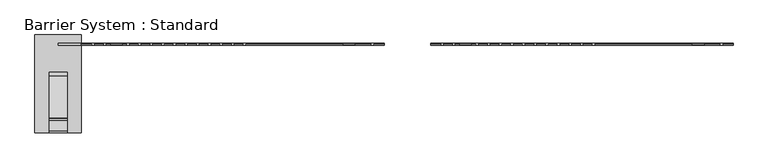
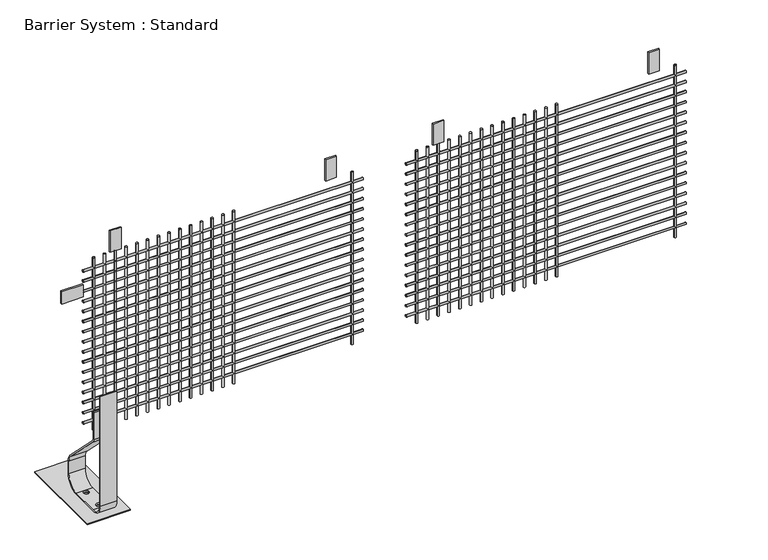
"""IFC4 building model written with IfcOpenShell, lengths in millimetres: proxy geometry, Barrier System : Standard."""

from ifc_helpers import new_model, si_unit, point, frame, frame_2d, origin, origin_with_axes, place, context, project, spatial, polyline, circle_curve, trimmed, segment, composite_curve, outline, extrude, source, transform, mapped, element, save
from ifc_brep_helpers import plane_surface, cylinder_surface, revolved_surface, advanced_brep


def barrier_system_standard_2cc259e9(model_context):
    return source(origin(), model_context, "Body", "SolidModel", [
        advanced_brep(
        [(38.0, -374.0, 606.0), (-38.0, -374.0, 606.0), (-38.0, -380.0, 606.0), (38.0, -380.0, 606.0), (38.0, -374.0, 69.0), (-38.0, -374.0, 69.0), (-38.0, -320.0, 15.0), (-38.0, -185.0, 15.0), (-38.0, -126.0, 74.0), (-38.0, -126.0, 135.2893219), (-38.0, -138.8873016, 166.4020203), (-38.0, -319.8492424, 347.363961), (-38.0, -326.0, 362.2132034), (-38.0, -326.0, 496.0), (-38.0, -320.0, 496.0), (-38.0, -320.0, 362.2132034), (-38.0, -315.6066017, 351.6066017), (-38.0, -134.6446609, 170.6446609), (-38.0, -120.0, 135.2893219), (-38.0, -120.0, 74.0), (-38.0, -185.0, 9.0), (-38.0, -320.0, 9.0), (-38.0, -380.0, 69.0), (38.0, -380.0, 69.0), (38.0, -320.0, 9.0), (38.0, -185.0, 9.0), (38.0, -120.0, 74.0), (38.0, -120.0, 135.2893219), (38.0, -134.6446609, 170.6446609), (38.0, -315.6066017, 351.6066017), (38.0, -320.0, 362.2132034), (38.0, -320.0, 496.0), (38.0, -326.0, 496.0), (38.0, -326.0, 362.2132034), (38.0, -319.8492424, 347.363961), (38.0, -138.8873016, 166.4020203), (38.0, -126.0, 135.2893219), (38.0, -126.0, 74.0), (38.0, -185.0, 15.0), (38.0, -320.0, 15.0), (12.0, -300.0, 15.0), (-12.0, -300.0, 15.0), (12.0, -200.0, 15.0), (-12.0, -200.0, 15.0), (-12.0, -300.0, 9.0), (12.0, -300.0, 9.0), (-12.0, -200.0, 9.0), (12.0, -200.0, 9.0)],
        [
            (0, 1),
            (1, 2),
            (2, 3),
            (3, 0),
            (0, 4),
            (4, 5),
            (5, 1),
            (5, 6, circle_curve(frame((-38.0, -320.0, 69.0), z_axis=(1.0, 0.0, 0.0), x_axis=(0.0, -1.0, 0.0)), 54.0)),
            (6, 7),
            (7, 8, circle_curve(frame((-38.0, -185.0, 74.0), z_axis=(1.0, 0.0, 0.0), x_axis=(0.0, 0.0, -1.0)), 59.0)),
            (8, 9),
            (9, 10, circle_curve(frame((-38.0, -170.0, 135.2893219), z_axis=(1.0, 0.0, 0.0), x_axis=(0.0, 1.0, 0.0)), 44.0)),
            (10, 11),
            (11, 12, circle_curve(frame((-38.0, -305.0, 362.2132034), z_axis=(-1.0, 0.0, 0.0), x_axis=(0.0, -0.7071067811865497, -0.7071067811865455)), 21.0)),
            (12, 13),
            (13, 14),
            (14, 15),
            (15, 16, circle_curve(frame((-38.0, -305.0, 362.2132034), z_axis=(1.0, 0.0, 0.0), x_axis=(0.0, -0.7071067811865497, -0.7071067811865455)), 15.0)),
            (16, 17),
            (17, 18, circle_curve(frame((-38.0, -170.0, 135.2893219), z_axis=(-1.0, 0.0, 0.0), x_axis=(0.0, 1.0, 0.0)), 50.0)),
            (18, 19),
            (19, 20, circle_curve(frame((-38.0, -185.0, 74.0), z_axis=(-1.0, 0.0, 0.0), x_axis=(0.0, 0.0, -1.0)), 65.0)),
            (20, 21),
            (21, 22, circle_curve(frame((-38.0, -320.0, 69.0), z_axis=(-1.0, 0.0, 0.0), x_axis=(0.0, -1.0, 0.0)), 60.0)),
            (22, 2),
            (22, 23),
            (23, 3),
            (23, 24, circle_curve(frame((38.0, -320.0, 69.0), z_axis=(1.0, 0.0, 0.0), x_axis=(0.0, -1.0, 0.0)), 60.0)),
            (24, 25),
            (25, 26, circle_curve(frame((38.0, -185.0, 74.0), z_axis=(1.0, 0.0, 0.0), x_axis=(0.0, 0.0, -1.0)), 65.0)),
            (26, 27),
            (27, 28, circle_curve(frame((38.0, -170.0, 135.2893219), z_axis=(1.0, 0.0, 0.0), x_axis=(0.0, 1.0, 0.0)), 50.0)),
            (28, 29),
            (29, 30, circle_curve(frame((38.0, -305.0, 362.2132034), z_axis=(-1.0, 0.0, 0.0), x_axis=(0.0, -0.7071067811865497, -0.7071067811865455)), 15.0)),
            (30, 31),
            (31, 32),
            (32, 33),
            (33, 34, circle_curve(frame((38.0, -305.0, 362.2132034), z_axis=(1.0, 0.0, 0.0), x_axis=(0.0, -0.7071067811865497, -0.7071067811865455)), 21.0)),
            (34, 35),
            (35, 36, circle_curve(frame((38.0, -170.0, 135.2893219), z_axis=(-1.0, 0.0, 0.0), x_axis=(0.0, 1.0, 0.0)), 44.0)),
            (36, 37),
            (37, 38, circle_curve(frame((38.0, -185.0, 74.0), z_axis=(-1.0, 0.0, 0.0), x_axis=(0.0, 0.0, -1.0)), 59.0)),
            (38, 39),
            (39, 4, circle_curve(frame((38.0, -320.0, 69.0), z_axis=(-1.0, 0.0, 0.0), x_axis=(0.0, -1.0, 0.0)), 54.0)),
            (39, 6),
            (21, 24),
            (38, 7),
            (40, 41, circle_curve(frame((0.0, -300.0, 15.0), z_axis=(0.0, 0.0, -1.0), x_axis=(1.0, 0.0, 0.0)), 12.0)),
            (41, 40, circle_curve(frame((0.0, -300.0, 15.0), z_axis=(0.0, 0.0, -1.0), x_axis=(1.0, 0.0, 0.0)), 12.0)),
            (42, 43, circle_curve(frame((0.0, -200.0, 15.0), z_axis=(0.0, 0.0, -1.0), x_axis=(1.0, 0.0, 0.0)), 12.0)),
            (43, 42, circle_curve(frame((0.0, -200.0, 15.0), z_axis=(0.0, 0.0, -1.0), x_axis=(1.0, 0.0, 0.0)), 12.0)),
            (20, 25),
            (44, 45, circle_curve(frame((0.0, -300.0, 9.0), z_axis=(0.0, 0.0, 1.0), x_axis=(1.0, 0.0, 0.0)), 12.0)),
            (45, 44, circle_curve(frame((0.0, -300.0, 9.0), z_axis=(0.0, 0.0, 1.0), x_axis=(1.0, 0.0, 0.0)), 12.0)),
            (46, 47, circle_curve(frame((0.0, -200.0, 9.0), z_axis=(0.0, 0.0, 1.0), x_axis=(1.0, 0.0, 0.0)), 12.0)),
            (47, 46, circle_curve(frame((0.0, -200.0, 9.0), z_axis=(0.0, 0.0, 1.0), x_axis=(1.0, 0.0, 0.0)), 12.0)),
            (37, 8),
            (19, 26),
            (36, 9),
            (18, 27),
            (35, 10),
            (17, 28),
            (34, 11),
            (16, 29),
            (33, 12),
            (15, 30),
            (13, 32),
            (31, 14),
            (40, 45),
            (44, 41),
            (42, 47),
            (46, 43),
        ],
        [
            plane_surface(frame((0.0, -380.0, 606.0), z_axis=(0.0, 0.0, 1.0), x_axis=(1.0, 0.0, 0.0))),
            plane_surface(frame((38.0, -374.0, 606.0), z_axis=(0.0, 1.0, 0.0), x_axis=(0.0, 0.0, -1.0))),
            plane_surface(frame((-38.0, -374.0, 606.0), z_axis=(-1.0, 0.0, 0.0), x_axis=(0.0, 0.0, -1.0))),
            plane_surface(frame((-38.0, -380.0, 606.0), z_axis=(0.0, -1.0, 0.0), x_axis=(0.0, 0.0, -1.0))),
            plane_surface(frame((38.0, -380.0, 606.0), z_axis=(1.0, 0.0, 0.0), x_axis=(0.0, 0.0, -1.0))),
            revolved_surface(polyline([(38.0, -374.0, 69.0), (-38.0, -374.0, 69.0)]), (0.0, -320.0, 69.0), (1.0, 0.0, 0.0)),
            cylinder_surface(frame((0.0, -320.0, 69.0), z_axis=(1.0, 0.0, 0.0), x_axis=(0.0, -1.0, 0.0)), 60.0),
            plane_surface(frame((38.0, -320.0, 15.0), z_axis=(0.0, 0.0, 1.0), x_axis=(0.0, 1.0, 0.0))),
            plane_surface(frame((-38.0, -320.0, 9.0), z_axis=(0.0, 0.0, -1.0), x_axis=(0.0, 1.0, 0.0))),
            revolved_surface(polyline([(38.0, -185.0, 15.0), (-38.0, -185.0, 15.0)]), (0.0, -185.0, 74.0), (1.0, 0.0, 0.0)),
            cylinder_surface(frame((0.0, -185.0, 74.0), z_axis=(1.0, 0.0, 0.0), x_axis=(0.0, 0.0, -1.0)), 65.0),
            plane_surface(frame((38.0, -126.0, 74.0), z_axis=(0.0, -1.0, 0.0), x_axis=(0.0, 0.0, 1.0))),
            plane_surface(frame((-38.0, -120.0, 74.0), z_axis=(0.0, 1.0, 0.0), x_axis=(0.0, 0.0, 1.0))),
            revolved_surface(polyline([(38.0, -126.0, 135.2893219), (-38.0, -126.0, 135.2893219)]), (0.0, -170.0, 135.2893219), (1.0, 0.0, 0.0)),
            cylinder_surface(frame((0.0, -170.0, 135.2893219), z_axis=(1.0, 0.0, 0.0), x_axis=(0.0, 1.0, 0.0)), 50.0),
            plane_surface(frame((38.0, -138.8873016, 166.4020203), z_axis=(0.0, -0.7071067811865492, -0.7071067811865459), x_axis=(0.0, -0.7071067811865459, 0.7071067811865492))),
            plane_surface(frame((-38.0, -134.6446609, 170.6446609), z_axis=(0.0, 0.707106781186549, 0.707106781186546), x_axis=(0.0, -0.707106781186546, 0.707106781186549))),
            cylinder_surface(frame((0.0, -305.0, 362.2132034), z_axis=(-1.0, 0.0, 0.0), x_axis=(0.0, -0.7071067811865497, -0.7071067811865455)), 21.0),
            revolved_surface(polyline([(-38.0, -315.60660171779824, 351.6066016822018), (38.0, -315.60660171779824, 351.6066016822018)]), (0.0, -305.0, 362.2132034), (-1.0, 0.0, 0.0)),
            plane_surface(frame((0.0, -320.0, 496.0), z_axis=(0.0, 0.0, 1.0), x_axis=(1.0, 0.0, 0.0))),
            plane_surface(frame((38.0, -326.0, 362.2132034), z_axis=(0.0, -1.0, 0.0), x_axis=(0.0, 0.0, 1.0))),
            plane_surface(frame((-38.0, -320.0, 362.2132034), z_axis=(0.0, 1.0, 0.0), x_axis=(0.0, 0.0, 1.0))),
            revolved_surface(polyline([(12.0, -300.0, 15.0), (12.0, -300.0, 9.0)]), (0.0, -300.0, 9.0), (0.0, 0.0, 1.0)),
            revolved_surface(polyline([(12.0, -200.0, 15.0), (12.0, -200.0, 9.0)]), (0.0, -200.0, 0.0), (0.0, 0.0, 1.0)),
        ],
        [
            (0, [[1, 2, 3, 4]]),
            (1, [[-1, 5, 6, 7]]),
            (2, [[-2, -7, 8, 9, 10, 11, 12, 13, 14, 15, 16, 17, 18, 19, 20, 21, 22, 23, 24, 25]]),
            (3, [[-3, -25, 26, 27]]),
            (4, [[-4, -27, 28, 29, 30, 31, 32, 33, 34, 35, 36, 37, 38, 39, 40, 41, 42, 43, 44, -5]]),
            (5, [[-6, -44, 45, -8]]),
            (6, [[-24, 46, -28, -26]]),
            (7, [[-9, -45, -43, 47], [48, 49], [50, 51]]),
            (8, [[-23, 52, -29, -46], [53, 54], [55, 56]]),
            (9, [[-10, -47, -42, 57]]),
            (10, [[-22, 58, -30, -52]]),
            (11, [[-11, -57, -41, 59]]),
            (12, [[-21, 60, -31, -58]]),
            (13, [[-12, -59, -40, 61]]),
            (14, [[-20, 62, -32, -60]]),
            (15, [[-13, -61, -39, 63]]),
            (16, [[-19, 64, -33, -62]]),
            (17, [[-14, -63, -38, 65]]),
            (18, [[-18, 66, -34, -64]]),
            (19, [[-16, 67, -36, 68]]),
            (20, [[-15, -65, -37, -67]]),
            (21, [[-17, -68, -35, -66]]),
            (22, [[69, -53, 70, -48]]),
            (22, [[-69, -49, -70, -54]]),
            (23, [[71, -55, 72, -50]]),
            (23, [[-71, -51, -72, -56]]),
        ],
    ),
        extrude(outline(polyline([(100.0, 40.0), (100.0, -380.0), (-100.0, -380.0), (-100.0, 40.0), (100.0, 40.0)]), holes=[composite_curve([segment(trimmed(circle_curve(frame_2d((0.0, -200.0)), 10.0), [point((-10.0, -200.0))], [point((10.0, -200.0))], True, "CARTESIAN"), True, "CONTINUOUS"), segment(trimmed(circle_curve(frame_2d((0.0, -200.0)), 10.0), [point((10.0, -200.0))], [point((-10.0, -200.0))], True, "CARTESIAN"), True, "CONTINUOUS")], self_intersect=False), composite_curve([segment(trimmed(circle_curve(frame_2d((0.0, -300.0)), 10.0), [point((-10.0, -300.0))], [point((10.0, -300.0))], True, "CARTESIAN"), True, "CONTINUOUS"), segment(trimmed(circle_curve(frame_2d((0.0, -300.0)), 10.0), [point((10.0, -300.0))], [point((-10.0, -300.0))], True, "CARTESIAN"), True, "CONTINUOUS")], self_intersect=False)]), origin_with_axes(), (0.0, 0.0, 1.0), 6.0),
        extrude(outline(polyline([(100.0, 4.0), (100.0, -4.0), (0.0, -4.0), (0.0, 4.0), (100.0, 4.0)])), frame((0.0, 0.0, 820.2941176), z_axis=(0.0, 0.0, 1.0), x_axis=(1.0, 0.0, 0.0)), (0.0, 0.0, 1.0), 60.0),
        extrude(outline(polyline([(2775.0, 3.0), (2775.0, -3.0), (2725.0, -3.0), (2725.0, 3.0), (2775.0, 3.0)])), frame((0.0, 0.0, 995.0), z_axis=(0.0, 0.0, 1.0), x_axis=(1.0, 0.0, 0.0)), (0.0, 0.0, 1.0), 105.0),
        extrude(outline(polyline([(1775.0, 3.0), (1775.0, -3.0), (1725.0, -3.0), (1725.0, 3.0), (1775.0, 3.0)])), frame((0.0, 0.0, 995.0), z_axis=(0.0, 0.0, 1.0), x_axis=(1.0, 0.0, 0.0)), (0.0, 0.0, 1.0), 105.0),
        extrude(outline(polyline([(1275.0, 3.0), (1275.0, -3.0), (1225.0, -3.0), (1225.0, 3.0), (1275.0, 3.0)])), frame((0.0, 0.0, 995.0), z_axis=(0.0, 0.0, 1.0), x_axis=(1.0, 0.0, 0.0)), (0.0, 0.0, 1.0), 105.0),
        extrude(outline(polyline([(275.0, 3.0), (275.0, -3.0), (225.0, -3.0), (225.0, 3.0), (275.0, 3.0)])), frame((0.0, 0.0, 995.0), z_axis=(0.0, 0.0, 1.0), x_axis=(1.0, 0.0, 0.0)), (0.0, 0.0, 1.0), 105.0),
        extrude(outline(composite_curve([segment(trimmed(circle_curve(frame_2d((0.0, 249.4117647)), 5.0), [point((0.0, 244.4117647))], [point((0.0, 254.4117647))], False, "CARTESIAN"), True, "CONTINUOUS"), segment(trimmed(circle_curve(frame_2d((0.0, 249.4117647)), 5.0), [point((0.0, 254.4117647))], [point((0.0, 244.4117647))], False, "CARTESIAN"), True, "CONTINUOUS")], self_intersect=False)), frame((1600.0, 0.0, 0.0), z_axis=(1.0, 0.0, 0.0), x_axis=(0.0, 1.0, 0.0)), (0.0, 0.0, 1.0), 1300.0),
        extrude(outline(composite_curve([segment(trimmed(circle_curve(frame_2d((0.0, 299.1176471)), 5.0), [point((0.0, 294.1176471))], [point((0.0, 304.1176471))], False, "CARTESIAN"), True, "CONTINUOUS"), segment(trimmed(circle_curve(frame_2d((0.0, 299.1176471)), 5.0), [point((0.0, 304.1176471))], [point((0.0, 294.1176471))], False, "CARTESIAN"), True, "CONTINUOUS")], self_intersect=False)), frame((1600.0, 0.0, 0.0), z_axis=(1.0, 0.0, 0.0), x_axis=(0.0, 1.0, 0.0)), (0.0, 0.0, 1.0), 1300.0),
        extrude(outline(composite_curve([segment(trimmed(circle_curve(frame_2d((0.0, 348.8235294)), 5.0), [point((0.0, 343.8235294))], [point((0.0, 353.8235294))], False, "CARTESIAN"), True, "CONTINUOUS"), segment(trimmed(circle_curve(frame_2d((0.0, 348.8235294)), 5.0), [point((0.0, 353.8235294))], [point((0.0, 343.8235294))], False, "CARTESIAN"), True, "CONTINUOUS")], self_intersect=False)), frame((1600.0, 0.0, 0.0), z_axis=(1.0, 0.0, 0.0), x_axis=(0.0, 1.0, 0.0)), (0.0, 0.0, 1.0), 1300.0),
        extrude(outline(composite_curve([segment(trimmed(circle_curve(frame_2d((0.0, 398.5294118)), 5.0), [point((0.0, 393.5294118))], [point((0.0, 403.5294118))], False, "CARTESIAN"), True, "CONTINUOUS"), segment(trimmed(circle_curve(frame_2d((0.0, 398.5294118)), 5.0), [point((0.0, 403.5294118))], [point((0.0, 393.5294118))], False, "CARTESIAN"), True, "CONTINUOUS")], self_intersect=False)), frame((1600.0, 0.0, 0.0), z_axis=(1.0, 0.0, 0.0), x_axis=(0.0, 1.0, 0.0)), (0.0, 0.0, 1.0), 1300.0),
        extrude(outline(composite_curve([segment(trimmed(circle_curve(frame_2d((0.0, 448.2352941)), 5.0), [point((0.0, 443.2352941))], [point((0.0, 453.2352941))], False, "CARTESIAN"), True, "CONTINUOUS"), segment(trimmed(circle_curve(frame_2d((0.0, 448.2352941)), 5.0), [point((0.0, 453.2352941))], [point((0.0, 443.2352941))], False, "CARTESIAN"), True, "CONTINUOUS")], self_intersect=False)), frame((1600.0, 0.0, 0.0), z_axis=(1.0, 0.0, 0.0), x_axis=(0.0, 1.0, 0.0)), (0.0, 0.0, 1.0), 1300.0),
        extrude(outline(composite_curve([segment(trimmed(circle_curve(frame_2d((0.0, 497.9411765)), 5.0), [point((0.0, 492.9411765))], [point((0.0, 502.9411765))], False, "CARTESIAN"), True, "CONTINUOUS"), segment(trimmed(circle_curve(frame_2d((0.0, 497.9411765)), 5.0), [point((0.0, 502.9411765))], [point((0.0, 492.9411765))], False, "CARTESIAN"), True, "CONTINUOUS")], self_intersect=False)), frame((1600.0, 0.0, 0.0), z_axis=(1.0, 0.0, 0.0), x_axis=(0.0, 1.0, 0.0)), (0.0, 0.0, 1.0), 1300.0),
        extrude(outline(composite_curve([segment(trimmed(circle_curve(frame_2d((0.0, 547.6470588)), 5.0), [point((0.0, 542.6470588))], [point((0.0, 552.6470588))], False, "CARTESIAN"), True, "CONTINUOUS"), segment(trimmed(circle_curve(frame_2d((0.0, 547.6470588)), 5.0), [point((0.0, 552.6470588))], [point((0.0, 542.6470588))], False, "CARTESIAN"), True, "CONTINUOUS")], self_intersect=False)), frame((1600.0, 0.0, 0.0), z_axis=(1.0, 0.0, 0.0), x_axis=(0.0, 1.0, 0.0)), (0.0, 0.0, 1.0), 1300.0),
        extrude(outline(composite_curve([segment(trimmed(circle_curve(frame_2d((0.0, 597.3529412)), 5.0), [point((0.0, 592.3529412))], [point((0.0, 602.3529412))], False, "CARTESIAN"), True, "CONTINUOUS"), segment(trimmed(circle_curve(frame_2d((0.0, 597.3529412)), 5.0), [point((0.0, 602.3529412))], [point((0.0, 592.3529412))], False, "CARTESIAN"), True, "CONTINUOUS")], self_intersect=False)), frame((1600.0, 0.0, 0.0), z_axis=(1.0, 0.0, 0.0), x_axis=(0.0, 1.0, 0.0)), (0.0, 0.0, 1.0), 1300.0),
        extrude(outline(composite_curve([segment(trimmed(circle_curve(frame_2d((0.0, 647.0588235)), 5.0), [point((0.0, 642.0588235))], [point((0.0, 652.0588235))], False, "CARTESIAN"), True, "CONTINUOUS"), segment(trimmed(circle_curve(frame_2d((0.0, 647.0588235)), 5.0), [point((0.0, 652.0588235))], [point((0.0, 642.0588235))], False, "CARTESIAN"), True, "CONTINUOUS")], self_intersect=False)), frame((1600.0, 0.0, 0.0), z_axis=(1.0, 0.0, 0.0), x_axis=(0.0, 1.0, 0.0)), (0.0, 0.0, 1.0), 1300.0),
        extrude(outline(composite_curve([segment(trimmed(circle_curve(frame_2d((0.0, 696.7647059)), 5.0), [point((0.0, 691.7647059))], [point((0.0, 701.7647059))], False, "CARTESIAN"), True, "CONTINUOUS"), segment(trimmed(circle_curve(frame_2d((0.0, 696.7647059)), 5.0), [point((0.0, 701.7647059))], [point((0.0, 691.7647059))], False, "CARTESIAN"), True, "CONTINUOUS")], self_intersect=False)), frame((1600.0, 0.0, 0.0), z_axis=(1.0, 0.0, 0.0), x_axis=(0.0, 1.0, 0.0)), (0.0, 0.0, 1.0), 1300.0),
        extrude(outline(composite_curve([segment(trimmed(circle_curve(frame_2d((0.0, 746.4705882)), 5.0), [point((0.0, 741.4705882))], [point((0.0, 751.4705882))], False, "CARTESIAN"), True, "CONTINUOUS"), segment(trimmed(circle_curve(frame_2d((0.0, 746.4705882)), 5.0), [point((0.0, 751.4705882))], [point((0.0, 741.4705882))], False, "CARTESIAN"), True, "CONTINUOUS")], self_intersect=False)), frame((1600.0, 0.0, 0.0), z_axis=(1.0, 0.0, 0.0), x_axis=(0.0, 1.0, 0.0)), (0.0, 0.0, 1.0), 1300.0),
        extrude(outline(composite_curve([segment(trimmed(circle_curve(frame_2d((0.0, 796.1764706)), 5.0), [point((0.0, 791.1764706))], [point((0.0, 801.1764706))], False, "CARTESIAN"), True, "CONTINUOUS"), segment(trimmed(circle_curve(frame_2d((0.0, 796.1764706)), 5.0), [point((0.0, 801.1764706))], [point((0.0, 791.1764706))], False, "CARTESIAN"), True, "CONTINUOUS")], self_intersect=False)), frame((1600.0, 0.0, 0.0), z_axis=(1.0, 0.0, 0.0), x_axis=(0.0, 1.0, 0.0)), (0.0, 0.0, 1.0), 1300.0),
        extrude(outline(composite_curve([segment(trimmed(circle_curve(frame_2d((0.0, 845.8823529)), 5.0), [point((0.0, 840.8823529))], [point((0.0, 850.8823529))], False, "CARTESIAN"), True, "CONTINUOUS"), segment(trimmed(circle_curve(frame_2d((0.0, 845.8823529)), 5.0), [point((0.0, 850.8823529))], [point((0.0, 840.8823529))], False, "CARTESIAN"), True, "CONTINUOUS")], self_intersect=False)), frame((1600.0, 0.0, 0.0), z_axis=(1.0, 0.0, 0.0), x_axis=(0.0, 1.0, 0.0)), (0.0, 0.0, 1.0), 1300.0),
        extrude(outline(composite_curve([segment(trimmed(circle_curve(frame_2d((0.0, 895.5882353)), 5.0), [point((0.0, 890.5882353))], [point((0.0, 900.5882353))], False, "CARTESIAN"), True, "CONTINUOUS"), segment(trimmed(circle_curve(frame_2d((0.0, 895.5882353)), 5.0), [point((0.0, 900.5882353))], [point((0.0, 890.5882353))], False, "CARTESIAN"), True, "CONTINUOUS")], self_intersect=False)), frame((1600.0, 0.0, 0.0), z_axis=(1.0, 0.0, 0.0), x_axis=(0.0, 1.0, 0.0)), (0.0, 0.0, 1.0), 1300.0),
        extrude(outline(composite_curve([segment(trimmed(circle_curve(frame_2d((0.0, 199.7058824)), 5.0), [point((0.0, 194.7058824))], [point((0.0, 204.7058824))], False, "CARTESIAN"), True, "CONTINUOUS"), segment(trimmed(circle_curve(frame_2d((0.0, 199.7058824)), 5.0), [point((0.0, 204.7058824))], [point((0.0, 194.7058824))], False, "CARTESIAN"), True, "CONTINUOUS")], self_intersect=False)), frame((1600.0, 0.0, 0.0), z_axis=(1.0, 0.0, 0.0), x_axis=(0.0, 1.0, 0.0)), (0.0, 0.0, 1.0), 1300.0),
        extrude(outline(composite_curve([segment(trimmed(circle_curve(frame_2d((0.0, 945.2941176)), 5.0), [point((0.0, 940.2941176))], [point((0.0, 950.2941176))], False, "CARTESIAN"), True, "CONTINUOUS"), segment(trimmed(circle_curve(frame_2d((0.0, 945.2941176)), 5.0), [point((0.0, 950.2941176))], [point((0.0, 940.2941176))], False, "CARTESIAN"), True, "CONTINUOUS")], self_intersect=False)), frame((1600.0, 0.0, 0.0), z_axis=(1.0, 0.0, 0.0), x_axis=(0.0, 1.0, 0.0)), (0.0, 0.0, 1.0), 1300.0),
        extrude(outline(composite_curve([segment(trimmed(circle_curve(frame_2d((0.0, 249.4117647)), 5.0), [point((0.0, 244.4117647))], [point((0.0, 254.4117647))], False, "CARTESIAN"), True, "CONTINUOUS"), segment(trimmed(circle_curve(frame_2d((0.0, 249.4117647)), 5.0), [point((0.0, 254.4117647))], [point((0.0, 244.4117647))], False, "CARTESIAN"), True, "CONTINUOUS")], self_intersect=False)), frame((100.0, 0.0, 0.0), z_axis=(1.0, 0.0, 0.0), x_axis=(0.0, 1.0, 0.0)), (0.0, 0.0, 1.0), 1300.0),
        extrude(outline(composite_curve([segment(trimmed(circle_curve(frame_2d((0.0, 299.1176471)), 5.0), [point((0.0, 294.1176471))], [point((0.0, 304.1176471))], False, "CARTESIAN"), True, "CONTINUOUS"), segment(trimmed(circle_curve(frame_2d((0.0, 299.1176471)), 5.0), [point((0.0, 304.1176471))], [point((0.0, 294.1176471))], False, "CARTESIAN"), True, "CONTINUOUS")], self_intersect=False)), frame((100.0, 0.0, 0.0), z_axis=(1.0, 0.0, 0.0), x_axis=(0.0, 1.0, 0.0)), (0.0, 0.0, 1.0), 1300.0),
        extrude(outline(composite_curve([segment(trimmed(circle_curve(frame_2d((0.0, 348.8235294)), 5.0), [point((0.0, 343.8235294))], [point((0.0, 353.8235294))], False, "CARTESIAN"), True, "CONTINUOUS"), segment(trimmed(circle_curve(frame_2d((0.0, 348.8235294)), 5.0), [point((0.0, 353.8235294))], [point((0.0, 343.8235294))], False, "CARTESIAN"), True, "CONTINUOUS")], self_intersect=False)), frame((100.0, 0.0, 0.0), z_axis=(1.0, 0.0, 0.0), x_axis=(0.0, 1.0, 0.0)), (0.0, 0.0, 1.0), 1300.0),
        extrude(outline(composite_curve([segment(trimmed(circle_curve(frame_2d((0.0, 398.5294118)), 5.0), [point((0.0, 393.5294118))], [point((0.0, 403.5294118))], False, "CARTESIAN"), True, "CONTINUOUS"), segment(trimmed(circle_curve(frame_2d((0.0, 398.5294118)), 5.0), [point((0.0, 403.5294118))], [point((0.0, 393.5294118))], False, "CARTESIAN"), True, "CONTINUOUS")], self_intersect=False)), frame((100.0, 0.0, 0.0), z_axis=(1.0, 0.0, 0.0), x_axis=(0.0, 1.0, 0.0)), (0.0, 0.0, 1.0), 1300.0),
        extrude(outline(composite_curve([segment(trimmed(circle_curve(frame_2d((0.0, 448.2352941)), 5.0), [point((0.0, 443.2352941))], [point((0.0, 453.2352941))], False, "CARTESIAN"), True, "CONTINUOUS"), segment(trimmed(circle_curve(frame_2d((0.0, 448.2352941)), 5.0), [point((0.0, 453.2352941))], [point((0.0, 443.2352941))], False, "CARTESIAN"), True, "CONTINUOUS")], self_intersect=False)), frame((100.0, 0.0, 0.0), z_axis=(1.0, 0.0, 0.0), x_axis=(0.0, 1.0, 0.0)), (0.0, 0.0, 1.0), 1300.0),
        extrude(outline(composite_curve([segment(trimmed(circle_curve(frame_2d((0.0, 497.9411765)), 5.0), [point((0.0, 492.9411765))], [point((0.0, 502.9411765))], False, "CARTESIAN"), True, "CONTINUOUS"), segment(trimmed(circle_curve(frame_2d((0.0, 497.9411765)), 5.0), [point((0.0, 502.9411765))], [point((0.0, 492.9411765))], False, "CARTESIAN"), True, "CONTINUOUS")], self_intersect=False)), frame((100.0, 0.0, 0.0), z_axis=(1.0, 0.0, 0.0), x_axis=(0.0, 1.0, 0.0)), (0.0, 0.0, 1.0), 1300.0),
        extrude(outline(composite_curve([segment(trimmed(circle_curve(frame_2d((0.0, 547.6470588)), 5.0), [point((0.0, 542.6470588))], [point((0.0, 552.6470588))], False, "CARTESIAN"), True, "CONTINUOUS"), segment(trimmed(circle_curve(frame_2d((0.0, 547.6470588)), 5.0), [point((0.0, 552.6470588))], [point((0.0, 542.6470588))], False, "CARTESIAN"), True, "CONTINUOUS")], self_intersect=False)), frame((100.0, 0.0, 0.0), z_axis=(1.0, 0.0, 0.0), x_axis=(0.0, 1.0, 0.0)), (0.0, 0.0, 1.0), 1300.0),
        extrude(outline(composite_curve([segment(trimmed(circle_curve(frame_2d((0.0, 597.3529412)), 5.0), [point((0.0, 592.3529412))], [point((0.0, 602.3529412))], False, "CARTESIAN"), True, "CONTINUOUS"), segment(trimmed(circle_curve(frame_2d((0.0, 597.3529412)), 5.0), [point((0.0, 602.3529412))], [point((0.0, 592.3529412))], False, "CARTESIAN"), True, "CONTINUOUS")], self_intersect=False)), frame((100.0, 0.0, 0.0), z_axis=(1.0, 0.0, 0.0), x_axis=(0.0, 1.0, 0.0)), (0.0, 0.0, 1.0), 1300.0),
        extrude(outline(composite_curve([segment(trimmed(circle_curve(frame_2d((0.0, 647.0588235)), 5.0), [point((0.0, 642.0588235))], [point((0.0, 652.0588235))], False, "CARTESIAN"), True, "CONTINUOUS"), segment(trimmed(circle_curve(frame_2d((0.0, 647.0588235)), 5.0), [point((0.0, 652.0588235))], [point((0.0, 642.0588235))], False, "CARTESIAN"), True, "CONTINUOUS")], self_intersect=False)), frame((100.0, 0.0, 0.0), z_axis=(1.0, 0.0, 0.0), x_axis=(0.0, 1.0, 0.0)), (0.0, 0.0, 1.0), 1300.0),
        extrude(outline(composite_curve([segment(trimmed(circle_curve(frame_2d((0.0, 696.7647059)), 5.0), [point((0.0, 691.7647059))], [point((0.0, 701.7647059))], False, "CARTESIAN"), True, "CONTINUOUS"), segment(trimmed(circle_curve(frame_2d((0.0, 696.7647059)), 5.0), [point((0.0, 701.7647059))], [point((0.0, 691.7647059))], False, "CARTESIAN"), True, "CONTINUOUS")], self_intersect=False)), frame((100.0, 0.0, 0.0), z_axis=(1.0, 0.0, 0.0), x_axis=(0.0, 1.0, 0.0)), (0.0, 0.0, 1.0), 1300.0),
        extrude(outline(composite_curve([segment(trimmed(circle_curve(frame_2d((0.0, 746.4705882)), 5.0), [point((0.0, 741.4705882))], [point((0.0, 751.4705882))], False, "CARTESIAN"), True, "CONTINUOUS"), segment(trimmed(circle_curve(frame_2d((0.0, 746.4705882)), 5.0), [point((0.0, 751.4705882))], [point((0.0, 741.4705882))], False, "CARTESIAN"), True, "CONTINUOUS")], self_intersect=False)), frame((100.0, 0.0, 0.0), z_axis=(1.0, 0.0, 0.0), x_axis=(0.0, 1.0, 0.0)), (0.0, 0.0, 1.0), 1300.0),
        extrude(outline(composite_curve([segment(trimmed(circle_curve(frame_2d((0.0, 796.1764706)), 5.0), [point((0.0, 791.1764706))], [point((0.0, 801.1764706))], False, "CARTESIAN"), True, "CONTINUOUS"), segment(trimmed(circle_curve(frame_2d((0.0, 796.1764706)), 5.0), [point((0.0, 801.1764706))], [point((0.0, 791.1764706))], False, "CARTESIAN"), True, "CONTINUOUS")], self_intersect=False)), frame((100.0, 0.0, 0.0), z_axis=(1.0, 0.0, 0.0), x_axis=(0.0, 1.0, 0.0)), (0.0, 0.0, 1.0), 1300.0),
        extrude(outline(composite_curve([segment(trimmed(circle_curve(frame_2d((0.0, 845.8823529)), 5.0), [point((0.0, 840.8823529))], [point((0.0, 850.8823529))], False, "CARTESIAN"), True, "CONTINUOUS"), segment(trimmed(circle_curve(frame_2d((0.0, 845.8823529)), 5.0), [point((0.0, 850.8823529))], [point((0.0, 840.8823529))], False, "CARTESIAN"), True, "CONTINUOUS")], self_intersect=False)), frame((100.0, 0.0, 0.0), z_axis=(1.0, 0.0, 0.0), x_axis=(0.0, 1.0, 0.0)), (0.0, 0.0, 1.0), 1300.0),
        extrude(outline(composite_curve([segment(trimmed(circle_curve(frame_2d((0.0, 895.5882353)), 5.0), [point((0.0, 890.5882353))], [point((0.0, 900.5882353))], False, "CARTESIAN"), True, "CONTINUOUS"), segment(trimmed(circle_curve(frame_2d((0.0, 895.5882353)), 5.0), [point((0.0, 900.5882353))], [point((0.0, 890.5882353))], False, "CARTESIAN"), True, "CONTINUOUS")], self_intersect=False)), frame((100.0, 0.0, 0.0), z_axis=(1.0, 0.0, 0.0), x_axis=(0.0, 1.0, 0.0)), (0.0, 0.0, 1.0), 1300.0),
        extrude(outline(composite_curve([segment(trimmed(circle_curve(frame_2d((0.0, 199.7058824)), 5.0), [point((0.0, 194.7058824))], [point((0.0, 204.7058824))], False, "CARTESIAN"), True, "CONTINUOUS"), segment(trimmed(circle_curve(frame_2d((0.0, 199.7058824)), 5.0), [point((0.0, 204.7058824))], [point((0.0, 194.7058824))], False, "CARTESIAN"), True, "CONTINUOUS")], self_intersect=False)), frame((100.0, 0.0, 0.0), z_axis=(1.0, 0.0, 0.0), x_axis=(0.0, 1.0, 0.0)), (0.0, 0.0, 1.0), 1300.0),
        extrude(outline(composite_curve([segment(trimmed(circle_curve(frame_2d((0.0, 945.2941176)), 5.0), [point((0.0, 940.2941176))], [point((0.0, 950.2941176))], False, "CARTESIAN"), True, "CONTINUOUS"), segment(trimmed(circle_curve(frame_2d((0.0, 945.2941176)), 5.0), [point((0.0, 950.2941176))], [point((0.0, 940.2941176))], False, "CARTESIAN"), True, "CONTINUOUS")], self_intersect=False)), frame((100.0, 0.0, 0.0), z_axis=(1.0, 0.0, 0.0), x_axis=(0.0, 1.0, 0.0)), (0.0, 0.0, 1.0), 1300.0),
        extrude(outline(composite_curve([segment(trimmed(circle_curve(frame_2d((2300.0, 0.0)), 5.0), [point((2305.0, 0.0))], [point((2295.0, 0.0))], False, "CARTESIAN"), True, "CONTINUOUS"), segment(trimmed(circle_curve(frame_2d((2300.0, 0.0)), 5.0), [point((2295.0, 0.0))], [point((2305.0, 0.0))], False, "CARTESIAN"), True, "CONTINUOUS")], self_intersect=False)), frame((0.0, 0.0, 150.0), z_axis=(0.0, 0.0, 1.0), x_axis=(1.0, 0.0, 0.0)), (0.0, 0.0, 1.0), 845.0),
        extrude(outline(composite_curve([segment(trimmed(circle_curve(frame_2d((2250.0, 0.0)), 5.0), [point((2255.0, 0.0))], [point((2245.0, 0.0))], False, "CARTESIAN"), True, "CONTINUOUS"), segment(trimmed(circle_curve(frame_2d((2250.0, 0.0)), 5.0), [point((2245.0, 0.0))], [point((2255.0, 0.0))], False, "CARTESIAN"), True, "CONTINUOUS")], self_intersect=False)), frame((0.0, 0.0, 150.0), z_axis=(0.0, 0.0, 1.0), x_axis=(1.0, 0.0, 0.0)), (0.0, 0.0, 1.0), 845.0),
        extrude(outline(composite_curve([segment(trimmed(circle_curve(frame_2d((2200.0, 0.0)), 5.0), [point((2205.0, 0.0))], [point((2195.0, 0.0))], False, "CARTESIAN"), True, "CONTINUOUS"), segment(trimmed(circle_curve(frame_2d((2200.0, 0.0)), 5.0), [point((2195.0, 0.0))], [point((2205.0, 0.0))], False, "CARTESIAN"), True, "CONTINUOUS")], self_intersect=False)), frame((0.0, 0.0, 150.0), z_axis=(0.0, 0.0, 1.0), x_axis=(1.0, 0.0, 0.0)), (0.0, 0.0, 1.0), 845.0),
        extrude(outline(composite_curve([segment(trimmed(circle_curve(frame_2d((2150.0, 0.0)), 5.0), [point((2155.0, 0.0))], [point((2145.0, 0.0))], False, "CARTESIAN"), True, "CONTINUOUS"), segment(trimmed(circle_curve(frame_2d((2150.0, 0.0)), 5.0), [point((2145.0, 0.0))], [point((2155.0, 0.0))], False, "CARTESIAN"), True, "CONTINUOUS")], self_intersect=False)), frame((0.0, 0.0, 150.0), z_axis=(0.0, 0.0, 1.0), x_axis=(1.0, 0.0, 0.0)), (0.0, 0.0, 1.0), 845.0),
        extrude(outline(composite_curve([segment(trimmed(circle_curve(frame_2d((2100.0, 0.0)), 5.0), [point((2105.0, 0.0))], [point((2095.0, 0.0))], False, "CARTESIAN"), True, "CONTINUOUS"), segment(trimmed(circle_curve(frame_2d((2100.0, 0.0)), 5.0), [point((2095.0, 0.0))], [point((2105.0, 0.0))], False, "CARTESIAN"), True, "CONTINUOUS")], self_intersect=False)), frame((0.0, 0.0, 150.0), z_axis=(0.0, 0.0, 1.0), x_axis=(1.0, 0.0, 0.0)), (0.0, 0.0, 1.0), 845.0),
        extrude(outline(composite_curve([segment(trimmed(circle_curve(frame_2d((2050.0, 0.0)), 5.0), [point((2055.0, 0.0))], [point((2045.0, 0.0))], False, "CARTESIAN"), True, "CONTINUOUS"), segment(trimmed(circle_curve(frame_2d((2050.0, 0.0)), 5.0), [point((2045.0, 0.0))], [point((2055.0, 0.0))], False, "CARTESIAN"), True, "CONTINUOUS")], self_intersect=False)), frame((0.0, 0.0, 150.0), z_axis=(0.0, 0.0, 1.0), x_axis=(1.0, 0.0, 0.0)), (0.0, 0.0, 1.0), 845.0),
        extrude(outline(composite_curve([segment(trimmed(circle_curve(frame_2d((2000.0, 0.0)), 5.0), [point((2005.0, 0.0))], [point((1995.0, 0.0))], False, "CARTESIAN"), True, "CONTINUOUS"), segment(trimmed(circle_curve(frame_2d((2000.0, 0.0)), 5.0), [point((1995.0, 0.0))], [point((2005.0, 0.0))], False, "CARTESIAN"), True, "CONTINUOUS")], self_intersect=False)), frame((0.0, 0.0, 150.0), z_axis=(0.0, 0.0, 1.0), x_axis=(1.0, 0.0, 0.0)), (0.0, 0.0, 1.0), 845.0),
        extrude(outline(composite_curve([segment(trimmed(circle_curve(frame_2d((1950.0, 0.0)), 5.0), [point((1955.0, 0.0))], [point((1945.0, 0.0))], False, "CARTESIAN"), True, "CONTINUOUS"), segment(trimmed(circle_curve(frame_2d((1950.0, 0.0)), 5.0), [point((1945.0, 0.0))], [point((1955.0, 0.0))], False, "CARTESIAN"), True, "CONTINUOUS")], self_intersect=False)), frame((0.0, 0.0, 150.0), z_axis=(0.0, 0.0, 1.0), x_axis=(1.0, 0.0, 0.0)), (0.0, 0.0, 1.0), 845.0),
        extrude(outline(composite_curve([segment(trimmed(circle_curve(frame_2d((1900.0, 0.0)), 5.0), [point((1905.0, 0.0))], [point((1895.0, 0.0))], False, "CARTESIAN"), True, "CONTINUOUS"), segment(trimmed(circle_curve(frame_2d((1900.0, 0.0)), 5.0), [point((1895.0, 0.0))], [point((1905.0, 0.0))], False, "CARTESIAN"), True, "CONTINUOUS")], self_intersect=False)), frame((0.0, 0.0, 150.0), z_axis=(0.0, 0.0, 1.0), x_axis=(1.0, 0.0, 0.0)), (0.0, 0.0, 1.0), 845.0),
        extrude(outline(composite_curve([segment(trimmed(circle_curve(frame_2d((1850.0, 0.0)), 5.0), [point((1855.0, 0.0))], [point((1845.0, 0.0))], False, "CARTESIAN"), True, "CONTINUOUS"), segment(trimmed(circle_curve(frame_2d((1850.0, 0.0)), 5.0), [point((1845.0, 0.0))], [point((1855.0, 0.0))], False, "CARTESIAN"), True, "CONTINUOUS")], self_intersect=False)), frame((0.0, 0.0, 150.0), z_axis=(0.0, 0.0, 1.0), x_axis=(1.0, 0.0, 0.0)), (0.0, 0.0, 1.0), 845.0),
        extrude(outline(composite_curve([segment(trimmed(circle_curve(frame_2d((1800.0, 0.0)), 5.0), [point((1805.0, 0.0))], [point((1795.0, 0.0))], False, "CARTESIAN"), True, "CONTINUOUS"), segment(trimmed(circle_curve(frame_2d((1800.0, 0.0)), 5.0), [point((1795.0, 0.0))], [point((1805.0, 0.0))], False, "CARTESIAN"), True, "CONTINUOUS")], self_intersect=False)), frame((0.0, 0.0, 150.0), z_axis=(0.0, 0.0, 1.0), x_axis=(1.0, 0.0, 0.0)), (0.0, 0.0, 1.0), 845.0),
        extrude(outline(composite_curve([segment(trimmed(circle_curve(frame_2d((1750.0, 0.0)), 5.0), [point((1755.0, 0.0))], [point((1745.0, 0.0))], False, "CARTESIAN"), True, "CONTINUOUS"), segment(trimmed(circle_curve(frame_2d((1750.0, 0.0)), 5.0), [point((1745.0, 0.0))], [point((1755.0, 0.0))], False, "CARTESIAN"), True, "CONTINUOUS")], self_intersect=False)), frame((0.0, 0.0, 150.0), z_axis=(0.0, 0.0, 1.0), x_axis=(1.0, 0.0, 0.0)), (0.0, 0.0, 1.0), 845.0),
        extrude(outline(composite_curve([segment(trimmed(circle_curve(frame_2d((1700.0, 0.0)), 5.0), [point((1705.0, 0.0))], [point((1695.0, 0.0))], False, "CARTESIAN"), True, "CONTINUOUS"), segment(trimmed(circle_curve(frame_2d((1700.0, 0.0)), 5.0), [point((1695.0, 0.0))], [point((1705.0, 0.0))], False, "CARTESIAN"), True, "CONTINUOUS")], self_intersect=False)), frame((0.0, 0.0, 150.0), z_axis=(0.0, 0.0, 1.0), x_axis=(1.0, 0.0, 0.0)), (0.0, 0.0, 1.0), 845.0),
        extrude(outline(composite_curve([segment(trimmed(circle_curve(frame_2d((2850.0, 0.0)), 5.0), [point((2855.0, 0.0))], [point((2845.0, 0.0))], False, "CARTESIAN"), True, "CONTINUOUS"), segment(trimmed(circle_curve(frame_2d((2850.0, 0.0)), 5.0), [point((2845.0, 0.0))], [point((2855.0, 0.0))], False, "CARTESIAN"), True, "CONTINUOUS")], self_intersect=False)), frame((0.0, 0.0, 150.0), z_axis=(0.0, 0.0, 1.0), x_axis=(1.0, 0.0, 0.0)), (0.0, 0.0, 1.0), 845.0),
        extrude(outline(composite_curve([segment(trimmed(circle_curve(frame_2d((1650.0, 0.0)), 5.0), [point((1655.0, 0.0))], [point((1645.0, 0.0))], False, "CARTESIAN"), True, "CONTINUOUS"), segment(trimmed(circle_curve(frame_2d((1650.0, 0.0)), 5.0), [point((1645.0, 0.0))], [point((1655.0, 0.0))], False, "CARTESIAN"), True, "CONTINUOUS")], self_intersect=False)), frame((0.0, 0.0, 150.0), z_axis=(0.0, 0.0, 1.0), x_axis=(1.0, 0.0, 0.0)), (0.0, 0.0, 1.0), 845.0),
        extrude(outline(composite_curve([segment(trimmed(circle_curve(frame_2d((800.0, 0.0)), 5.0), [point((805.0, 0.0))], [point((795.0, 0.0))], False, "CARTESIAN"), True, "CONTINUOUS"), segment(trimmed(circle_curve(frame_2d((800.0, 0.0)), 5.0), [point((795.0, 0.0))], [point((805.0, 0.0))], False, "CARTESIAN"), True, "CONTINUOUS")], self_intersect=False)), frame((0.0, 0.0, 150.0), z_axis=(0.0, 0.0, 1.0), x_axis=(1.0, 0.0, 0.0)), (0.0, 0.0, 1.0), 845.0),
        extrude(outline(composite_curve([segment(trimmed(circle_curve(frame_2d((750.0, 0.0)), 5.0), [point((755.0, 0.0))], [point((745.0, 0.0))], False, "CARTESIAN"), True, "CONTINUOUS"), segment(trimmed(circle_curve(frame_2d((750.0, 0.0)), 5.0), [point((745.0, 0.0))], [point((755.0, 0.0))], False, "CARTESIAN"), True, "CONTINUOUS")], self_intersect=False)), frame((0.0, 0.0, 150.0), z_axis=(0.0, 0.0, 1.0), x_axis=(1.0, 0.0, 0.0)), (0.0, 0.0, 1.0), 845.0),
        extrude(outline(composite_curve([segment(trimmed(circle_curve(frame_2d((700.0, 0.0)), 5.0), [point((705.0, 0.0))], [point((695.0, 0.0))], False, "CARTESIAN"), True, "CONTINUOUS"), segment(trimmed(circle_curve(frame_2d((700.0, 0.0)), 5.0), [point((695.0, 0.0))], [point((705.0, 0.0))], False, "CARTESIAN"), True, "CONTINUOUS")], self_intersect=False)), frame((0.0, 0.0, 150.0), z_axis=(0.0, 0.0, 1.0), x_axis=(1.0, 0.0, 0.0)), (0.0, 0.0, 1.0), 845.0),
        extrude(outline(composite_curve([segment(trimmed(circle_curve(frame_2d((650.0, 0.0)), 5.0), [point((655.0, 0.0))], [point((645.0, 0.0))], False, "CARTESIAN"), True, "CONTINUOUS"), segment(trimmed(circle_curve(frame_2d((650.0, 0.0)), 5.0), [point((645.0, 0.0))], [point((655.0, 0.0))], False, "CARTESIAN"), True, "CONTINUOUS")], self_intersect=False)), frame((0.0, 0.0, 150.0), z_axis=(0.0, 0.0, 1.0), x_axis=(1.0, 0.0, 0.0)), (0.0, 0.0, 1.0), 845.0),
        extrude(outline(composite_curve([segment(trimmed(circle_curve(frame_2d((600.0, 0.0)), 5.0), [point((605.0, 0.0))], [point((595.0, 0.0))], False, "CARTESIAN"), True, "CONTINUOUS"), segment(trimmed(circle_curve(frame_2d((600.0, 0.0)), 5.0), [point((595.0, 0.0))], [point((605.0, 0.0))], False, "CARTESIAN"), True, "CONTINUOUS")], self_intersect=False)), frame((0.0, 0.0, 150.0), z_axis=(0.0, 0.0, 1.0), x_axis=(1.0, 0.0, 0.0)), (0.0, 0.0, 1.0), 845.0),
        extrude(outline(composite_curve([segment(trimmed(circle_curve(frame_2d((550.0, 0.0)), 5.0), [point((555.0, 0.0))], [point((545.0, 0.0))], False, "CARTESIAN"), True, "CONTINUOUS"), segment(trimmed(circle_curve(frame_2d((550.0, 0.0)), 5.0), [point((545.0, 0.0))], [point((555.0, 0.0))], False, "CARTESIAN"), True, "CONTINUOUS")], self_intersect=False)), frame((0.0, 0.0, 150.0), z_axis=(0.0, 0.0, 1.0), x_axis=(1.0, 0.0, 0.0)), (0.0, 0.0, 1.0), 845.0),
        extrude(outline(composite_curve([segment(trimmed(circle_curve(frame_2d((500.0, 0.0)), 5.0), [point((505.0, 0.0))], [point((495.0, 0.0))], False, "CARTESIAN"), True, "CONTINUOUS"), segment(trimmed(circle_curve(frame_2d((500.0, 0.0)), 5.0), [point((495.0, 0.0))], [point((505.0, 0.0))], False, "CARTESIAN"), True, "CONTINUOUS")], self_intersect=False)), frame((0.0, 0.0, 150.0), z_axis=(0.0, 0.0, 1.0), x_axis=(1.0, 0.0, 0.0)), (0.0, 0.0, 1.0), 845.0),
        extrude(outline(composite_curve([segment(trimmed(circle_curve(frame_2d((450.0, 0.0)), 5.0), [point((455.0, 0.0))], [point((445.0, 0.0))], False, "CARTESIAN"), True, "CONTINUOUS"), segment(trimmed(circle_curve(frame_2d((450.0, 0.0)), 5.0), [point((445.0, 0.0))], [point((455.0, 0.0))], False, "CARTESIAN"), True, "CONTINUOUS")], self_intersect=False)), frame((0.0, 0.0, 150.0), z_axis=(0.0, 0.0, 1.0), x_axis=(1.0, 0.0, 0.0)), (0.0, 0.0, 1.0), 845.0),
        extrude(outline(composite_curve([segment(trimmed(circle_curve(frame_2d((400.0, 0.0)), 5.0), [point((405.0, 0.0))], [point((395.0, 0.0))], False, "CARTESIAN"), True, "CONTINUOUS"), segment(trimmed(circle_curve(frame_2d((400.0, 0.0)), 5.0), [point((395.0, 0.0))], [point((405.0, 0.0))], False, "CARTESIAN"), True, "CONTINUOUS")], self_intersect=False)), frame((0.0, 0.0, 150.0), z_axis=(0.0, 0.0, 1.0), x_axis=(1.0, 0.0, 0.0)), (0.0, 0.0, 1.0), 845.0),
        extrude(outline(composite_curve([segment(trimmed(circle_curve(frame_2d((350.0, 0.0)), 5.0), [point((355.0, 0.0))], [point((345.0, 0.0))], False, "CARTESIAN"), True, "CONTINUOUS"), segment(trimmed(circle_curve(frame_2d((350.0, 0.0)), 5.0), [point((345.0, 0.0))], [point((355.0, 0.0))], False, "CARTESIAN"), True, "CONTINUOUS")], self_intersect=False)), frame((0.0, 0.0, 150.0), z_axis=(0.0, 0.0, 1.0), x_axis=(1.0, 0.0, 0.0)), (0.0, 0.0, 1.0), 845.0),
        extrude(outline(composite_curve([segment(trimmed(circle_curve(frame_2d((300.0, 0.0)), 5.0), [point((305.0, 0.0))], [point((295.0, 0.0))], False, "CARTESIAN"), True, "CONTINUOUS"), segment(trimmed(circle_curve(frame_2d((300.0, 0.0)), 5.0), [point((295.0, 0.0))], [point((305.0, 0.0))], False, "CARTESIAN"), True, "CONTINUOUS")], self_intersect=False)), frame((0.0, 0.0, 150.0), z_axis=(0.0, 0.0, 1.0), x_axis=(1.0, 0.0, 0.0)), (0.0, 0.0, 1.0), 845.0),
        extrude(outline(composite_curve([segment(trimmed(circle_curve(frame_2d((250.0, 0.0)), 5.0), [point((255.0, 0.0))], [point((245.0, 0.0))], False, "CARTESIAN"), True, "CONTINUOUS"), segment(trimmed(circle_curve(frame_2d((250.0, 0.0)), 5.0), [point((245.0, 0.0))], [point((255.0, 0.0))], False, "CARTESIAN"), True, "CONTINUOUS")], self_intersect=False)), frame((0.0, 0.0, 150.0), z_axis=(0.0, 0.0, 1.0), x_axis=(1.0, 0.0, 0.0)), (0.0, 0.0, 1.0), 845.0),
        extrude(outline(composite_curve([segment(trimmed(circle_curve(frame_2d((200.0, 0.0)), 5.0), [point((205.0, 0.0))], [point((195.0, 0.0))], False, "CARTESIAN"), True, "CONTINUOUS"), segment(trimmed(circle_curve(frame_2d((200.0, 0.0)), 5.0), [point((195.0, 0.0))], [point((205.0, 0.0))], False, "CARTESIAN"), True, "CONTINUOUS")], self_intersect=False)), frame((0.0, 0.0, 150.0), z_axis=(0.0, 0.0, 1.0), x_axis=(1.0, 0.0, 0.0)), (0.0, 0.0, 1.0), 845.0),
        extrude(outline(composite_curve([segment(trimmed(circle_curve(frame_2d((1350.0, 0.0)), 5.0), [point((1355.0, 0.0))], [point((1345.0, 0.0))], False, "CARTESIAN"), True, "CONTINUOUS"), segment(trimmed(circle_curve(frame_2d((1350.0, 0.0)), 5.0), [point((1345.0, 0.0))], [point((1355.0, 0.0))], False, "CARTESIAN"), True, "CONTINUOUS")], self_intersect=False)), frame((0.0, 0.0, 150.0), z_axis=(0.0, 0.0, 1.0), x_axis=(1.0, 0.0, 0.0)), (0.0, 0.0, 1.0), 845.0),
        extrude(outline(composite_curve([segment(trimmed(circle_curve(frame_2d((150.0, 0.0)), 5.0), [point((155.0, 0.0))], [point((145.0, 0.0))], False, "CARTESIAN"), True, "CONTINUOUS"), segment(trimmed(circle_curve(frame_2d((150.0, 0.0)), 5.0), [point((145.0, 0.0))], [point((155.0, 0.0))], False, "CARTESIAN"), True, "CONTINUOUS")], self_intersect=False)), frame((0.0, 0.0, 150.0), z_axis=(0.0, 0.0, 1.0), x_axis=(1.0, 0.0, 0.0)), (0.0, 0.0, 1.0), 845.0),
    ])


if __name__ == "__main__":
    model = new_model("IFC4")
    model_context = context("Model", 3, world=origin())
    ifc_project = project(units=[si_unit("LENGTHUNIT", "METRE", prefix="MILLI")], contexts=[model_context])
    site = spatial("IfcSite", under=ifc_project)
    building = spatial("IfcBuilding", under=site)
    placement = place(None, origin())
    barrier_system_standard_shape = barrier_system_standard_2cc259e9(model_context)
    element("IfcBuildingElementProxy", 1, Name="Barrier System : Standard", ObjectType="Barrier System : Standard", at=placement, inside=building, context=model_context, shape_type="MappedRepresentation", body=[
        mapped(barrier_system_standard_shape, transform((0.0, 0.0, 0.0), x_axis=(1.0, 0.0, 0.0), y_axis=(0.0, 1.0, 0.0), z_axis=(0.0, 0.0, 1.0))),
    ])
    save(model, "model.ifc")
